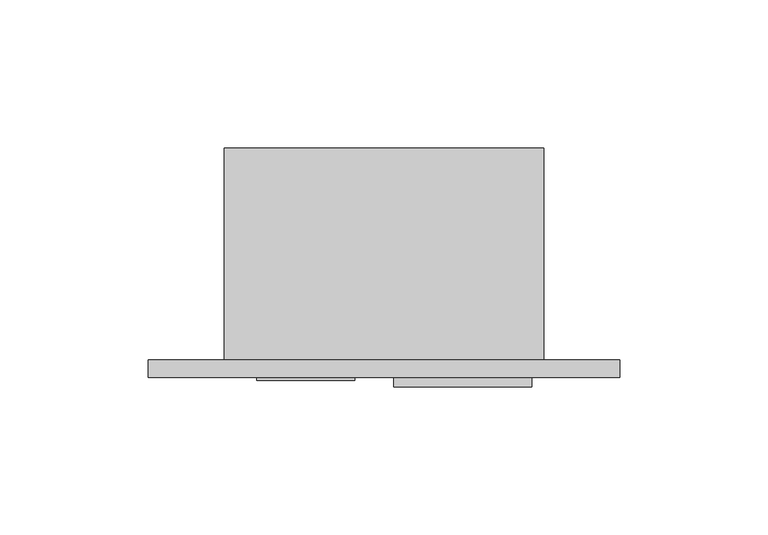
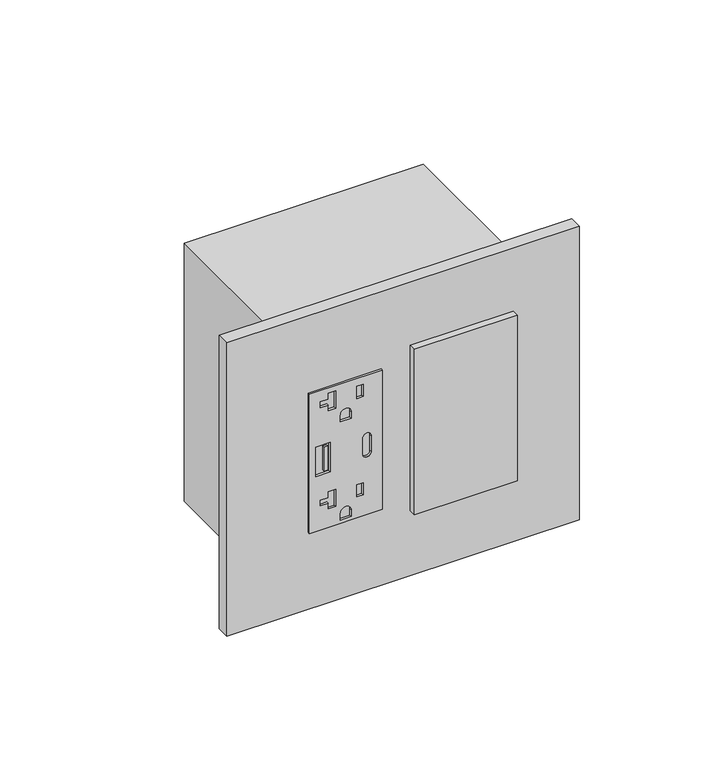
"""IFC4 building model written with IfcOpenShell, lengths in millimetres: proxy geometry."""

from ifc_helpers import new_model, si_unit, point, frame, frame_2d, origin, place, context, project, spatial, polyline, circle_curve, trimmed, segment, composite_curve, outline, extrude, source, transform, mapped, element, save


def electrical_fixtures_95b66924(model_context):
    return source(origin(), model_context, "Body", "SweptSolid", [
        extrude(outline(polyline([(414.1844229, 11.0998), (347.6364229, 11.0998), (347.6364229, 44.0944), (414.1844229, 44.0944), (414.1844229, 11.0998)]), holes=[polyline([(387.9589229, 14.0236066), (387.9589229, 20.5246617), (373.8619229, 20.5246617), (373.8619229, 14.0236066), (387.9589229, 14.0236066)]), composite_curve([segment(trimmed(circle_curve(frame_2d((384.6950229, 37.1348)), 1.905), [point((384.6950229, 35.2298))], [point((384.6950229, 39.0398))], True, "CARTESIAN"), True, "CONTINUOUS"), segment(polyline([(384.6950229, 39.0398), (377.1258229, 39.0398)]), True, "CONTINUOUS"), segment(trimmed(circle_curve(frame_2d((377.1258229, 37.1348)), 1.905), [point((377.1258229, 39.0398))], [point((377.1258229, 35.2298))], True, "CARTESIAN"), True, "CONTINUOUS"), segment(polyline([(377.1258229, 35.2298), (384.6950229, 35.2298)]), True, "CONTINUOUS")], self_intersect=False), composite_curve([segment(polyline([(349.1604229, 30.0609), (349.1604229, 25.1333), (352.2592229, 25.1333)]), True, "CONTINUOUS"), segment(trimmed(circle_curve(frame_2d((352.2592229, 27.5971)), 2.4638), [point((352.2592229, 25.1333))], [point((352.2592229, 30.0609))], True, "CARTESIAN"), True, "CONTINUOUS"), segment(polyline([(352.2592229, 30.0609), (349.1604229, 30.0609)]), True, "CONTINUOUS")], self_intersect=False), polyline([(364.7306229, 22.9616), (356.431589, 22.9616), (356.431589, 19.6342), (359.1147869, 19.6342), (359.1147869, 16.1036), (361.8524041, 16.1036), (361.8524041, 19.6342), (364.7306229, 19.6342), (364.7306229, 22.9616)]), composite_curve([segment(polyline([(396.1504229, 25.1333), (399.2492229, 25.1333)]), True, "CONTINUOUS"), segment(trimmed(circle_curve(frame_2d((399.2492229, 27.5971)), 2.4638), [point((399.2492229, 25.1333))], [point((399.2492229, 30.0609))], True, "CARTESIAN"), True, "CONTINUOUS"), segment(polyline([(399.2492229, 30.0609), (396.1504229, 30.0609), (396.1504229, 25.1333)]), True, "CONTINUOUS")], self_intersect=False), polyline([(404.6678878, 32.4358), (410.4910404, 32.4358), (410.4910404, 35.41014), (404.6678878, 35.41014), (404.6678878, 32.4358)]), polyline([(357.6778878, 32.4358), (363.5010404, 32.4358), (363.5010404, 35.41014), (357.6778878, 35.41014), (357.6778878, 32.4358)]), polyline([(411.7206229, 22.9616), (403.421589, 22.9616), (403.421589, 19.6342), (406.1047869, 19.6342), (406.1047869, 16.1036), (408.8424041, 16.1036), (408.8424041, 19.6342), (411.7206229, 19.6342), (411.7206229, 22.9616)])]), frame((0.0, -6.9294746, 0.0), z_axis=(0.0, 1.0, 0.0), x_axis=(0.0, 0.0, 1.0)), (0.0, 0.0, 1.0), 1.0366746),
        extrude(outline(polyline([(19.314835, -6.9294746), (17.7939058, -6.9294746), (17.7939058, -5.8928), (19.314835, -5.8928), (19.314835, -6.9294746)])), frame((0.0, 0.0, 375.1845775), z_axis=(0.0, 0.0, 1.0), x_axis=(1.0, 0.0, 0.0)), (0.0, 0.0, 1.0), 11.4436352),
        extrude(outline(polyline([(57.3278, -5.8928), (103.8606, -5.8928), (103.8606, -9.0678), (57.3278, -9.0678), (57.3278, -5.8928)])), frame((0.0, 0.0, 341.7026971), z_axis=(0.0, 0.0, 1.0), x_axis=(1.0, 0.0, 0.0)), (0.0, 0.0, 1.0), 79.0448),
        extrude(outline(polyline([(-25.6794, 0.0), (133.7056, 0.0), (133.7056, -5.8928), (-25.6794, -5.8928), (-25.6794, 0.0)])), frame((0.0, 0.0, 310.7302229), z_axis=(0.0, 0.0, 1.0), x_axis=(1.0, 0.0, 0.0)), (0.0, 0.0, 1.0), 140.3604),
        extrude(outline(polyline([(108.0262, 0.0), (0.0, 0.0), (0.0, 71.7296), (108.0262, 71.7296), (108.0262, 0.0)])), frame((0.0, 0.0, 319.1630229), z_axis=(0.0, 0.0, 1.0), x_axis=(1.0, 0.0, 0.0)), (0.0, 0.0, 1.0), 123.4948),
    ])


if __name__ == "__main__":
    model = new_model("IFC4")
    model_context = context("Model", 3, world=origin())
    ifc_project = project(units=[si_unit("LENGTHUNIT", "METRE", prefix="MILLI")], contexts=[model_context])
    site = spatial("IfcSite", under=ifc_project)
    building = spatial("IfcBuilding", under=site)
    placement = place(None, origin())
    electrical_fixtures_shape = electrical_fixtures_95b66924(model_context)
    element("IfcBuildingElementProxy", 1, Name="Electrical Fixtures", at=placement, inside=building, context=model_context, shape_type="MappedRepresentation", body=[
        mapped(electrical_fixtures_shape, transform((0.0, 0.0, 0.0), x_axis=(1.0, 0.0, 0.0), y_axis=(0.0, 1.0, 0.0), z_axis=(0.0, 0.0, 1.0))),
    ])
    save(model, "model.ifc")
